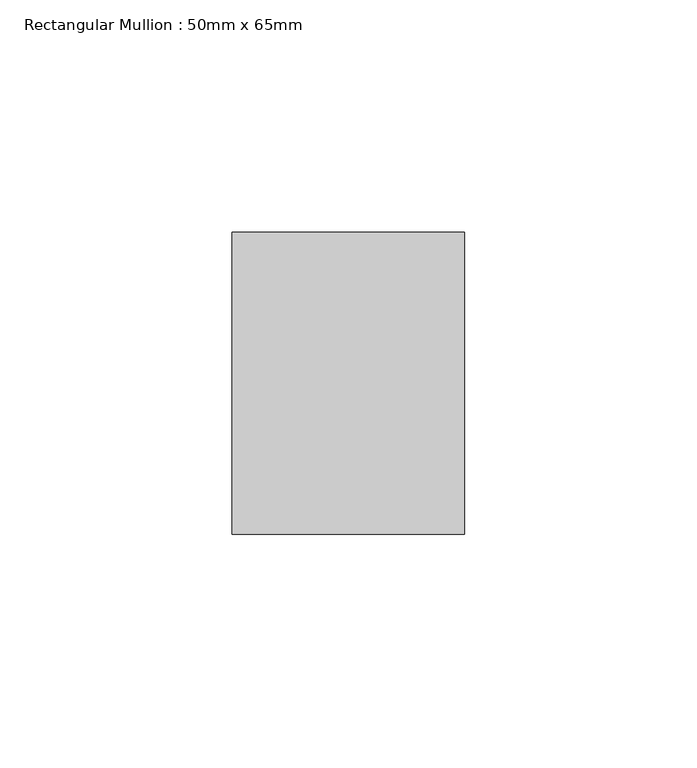
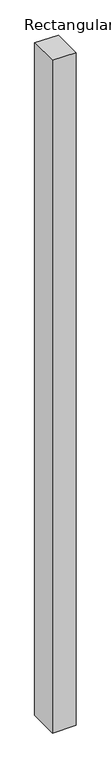
"""IFC4 building model written with IfcOpenShell, lengths in millimetres: member geometry, Rectangular Mullion : 50mm x 65mm."""

from ifc_helpers import new_model, si_unit, origin, place, context, project, spatial, faceted_brep, source, transform, mapped, element, save


def rectangular_mullion_50mm_x_65mm_2d7a4d5d(model_context):
    return source(origin(), model_context, "Body", "Brep", [
        faceted_brep([(-25.0, 32.5, -0.2664488), (25.0, 32.5, -0.2664462), (25.0, 32.5, -1499.6463757), (-25.0, 32.5, -1499.6463722), (-25.0, -32.5, 0.2664462), (-25.0, -32.5, -1500.3537125), (25.0, -32.5, 0.2664488), (25.0, -32.5, -1500.353716)], [[[0, 1, 2, 3]], [[4, 0, 3, 5]], [[6, 4, 5, 7]], [[1, 6, 7, 2]], [[1, 0, 4, 6]], [[2, 7, 5, 3]]]),
    ])


if __name__ == "__main__":
    model = new_model("IFC4")
    model_context = context("Model", 3, world=origin())
    ifc_project = project(units=[si_unit("LENGTHUNIT", "METRE", prefix="MILLI")], contexts=[model_context])
    site = spatial("IfcSite", under=ifc_project)
    building = spatial("IfcBuilding", under=site)
    placement = place(None, origin())
    rectangular_mullion_50mm_x_65mm_shape = rectangular_mullion_50mm_x_65mm_2d7a4d5d(model_context)
    element("IfcMember", 1, ObjectType="Rectangular Mullion : 50mm x 65mm", at=placement, inside=building, context=model_context, shape_type="MappedRepresentation", body=[
        mapped(rectangular_mullion_50mm_x_65mm_shape, transform((0.0, 0.0, 0.0), x_axis=(1.0, 0.0, 0.0), y_axis=(0.0, 1.0, 0.0), z_axis=(0.0, 0.0, 1.0))),
    ])
    save(model, "model.ifc")
